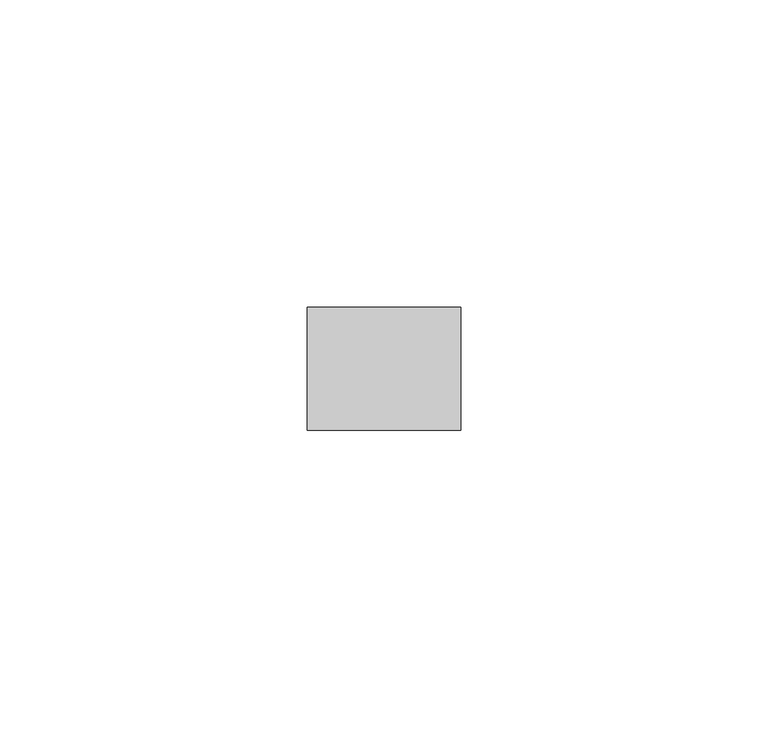
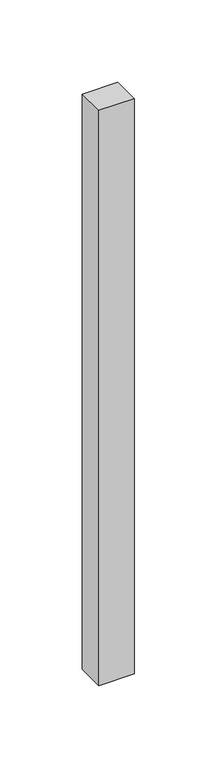
"""IFC4 building model written with IfcOpenShell, lengths in millimetres: plate geometry."""

from ifc_helpers import new_model, si_unit, origin, origin_with_axes, place, context, project, spatial, polyline, outline, extrude, source, transform, mapped, element, save


def plate_bebe6527(model_context):
    return source(origin(), model_context, "Body", "SweptSolid", [
        extrude(outline(polyline([(12.5, 70.0), (-12.5, 70.0), (-12.5, 90.0), (12.5, 90.0), (12.5, 70.0)])), origin_with_axes(), (0.0, 0.0, 1.0), 426.6624409),
    ])


if __name__ == "__main__":
    model = new_model("IFC4")
    model_context = context("Model", 3, world=origin())
    ifc_project = project(units=[si_unit("LENGTHUNIT", "METRE", prefix="MILLI")], contexts=[model_context])
    site = spatial("IfcSite", under=ifc_project)
    building = spatial("IfcBuilding", under=site)
    placement = place(None, origin())
    plate_shape = plate_bebe6527(model_context)
    element("IfcPlate", 1, at=placement, inside=building, context=model_context, shape_type="MappedRepresentation", body=[
        mapped(plate_shape, transform((0.0, 0.0, 0.0), x_axis=(1.0, 0.0, 0.0), y_axis=(0.0, 1.0, 0.0), z_axis=(0.0, 0.0, 1.0))),
    ])
    save(model, "model.ifc")
